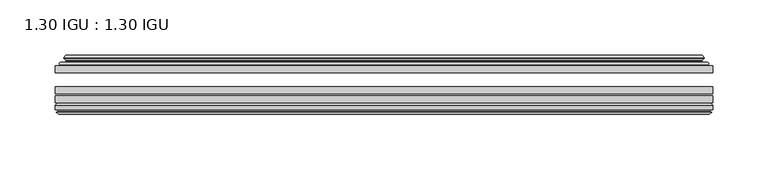
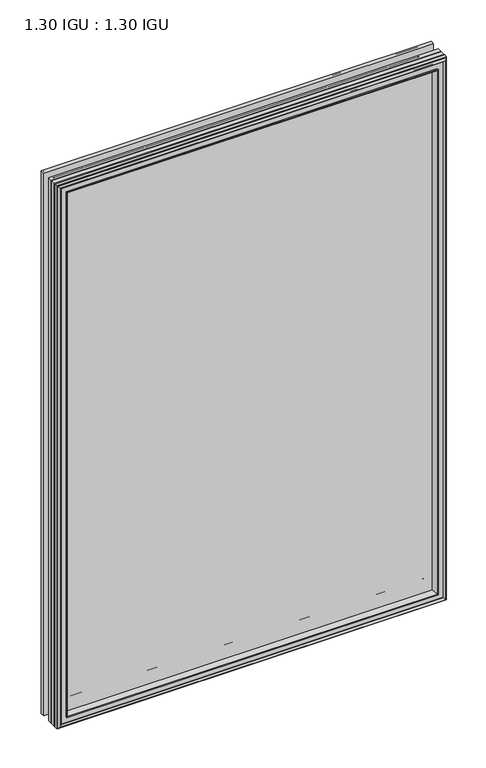
"""IFC4 building model written with IfcOpenShell, lengths in millimetres: plate geometry, 1.30 IGU : 1.30 IGU."""

from ifc_helpers import new_model, si_unit, frame, origin, place, context, project, spatial, polyline, ellipse_curve, outline, extrude, faceted_brep, source, transform, mapped, element, save
from ifc_brep_helpers import plane_surface, cylinder_surface, revolved_surface, advanced_brep


def plate_1_30_igu_1_30_igu_903350e6(model_context):
    return source(origin(), model_context, "Body", "SolidModel", [
        extrude(outline(polyline([(296.6907351, -44.92625), (296.6907351, -51.27625), (-296.7576818, -51.27625), (-296.7576818, -44.92625), (296.6907351, -44.92625)])), frame((0.0, 0.0, -14.2875), z_axis=(0.0, 0.0, 1.0), x_axis=(1.0, 0.0, 0.0)), (0.0, 0.0, 1.0), 873.125),
        extrude(outline(polyline([(-296.7576818, -78.58125), (-296.7576818, -72.23125), (296.6907351, -72.23125), (296.6907351, -78.58125), (-296.7576818, -78.58125)])), frame((0.0, 0.0, -14.2875), z_axis=(0.0, 0.0, 1.0), x_axis=(1.0, 0.0, 0.0)), (0.0, 0.0, 1.0), 873.125),
        extrude(outline(polyline([(-296.7576818, -70.32625), (-296.7576818, -63.97625), (296.6907351, -63.97625), (296.6907351, -70.32625), (-296.7576818, -70.32625)])), frame((0.0, 0.0, -14.2875), z_axis=(0.0, 0.0, 1.0), x_axis=(1.0, 0.0, 0.0)), (0.0, 0.0, 1.0), 873.125),
        advanced_brep(
        [(-278.422472, -43.8351483, 840.5022902), (-278.8642822, -44.92625, 840.9441004), (-278.8642822, -44.92625, 3.6058996), (-278.422472, -43.8351483, 4.0477098), (-282.4701818, -36.11245, 844.55), (-282.4701818, -36.11245, 0.0), (-287.6560927, -37.2935491, 849.7359109), (-287.6560927, -37.2935491, -5.1859109), (-287.3265175, -36.4664324, 849.4063356), (-287.3265175, -36.4664324, -4.8563356), (-287.3265175, -35.6521812, 849.4063356), (-287.3265175, -35.6521812, -4.8563356), (-289.1427929, -37.610817, 851.2226111), (-289.1427929, -37.610817, -6.6726111), (-289.1427929, -38.3239429, 851.2226111), (-289.1427929, -38.3239429, -6.6726111), (-287.3265175, -40.2727974, 849.4063356), (-287.3265175, -40.2727974, -4.8563356), (-287.3265175, -39.4683275, 849.4063356), (-287.3265175, -39.4683275, -4.8563356), (-287.648432, -38.6604367, 849.7282501), (-287.648432, -38.6604367, -5.1782501), (-285.1246197, -38.502045, 847.2044379), (-285.1246197, -38.502045, -2.6544379), (-284.0988035, -39.1897544, 846.1786217), (-284.0988035, -39.1897544, -1.6286217), (-284.2172107, -40.5842231, 846.2970288), (-284.2172107, -40.5842231, -1.7470288), (-284.8189566, -42.08145, 846.8987748), (-284.8189566, -42.08145, -2.3487748), (-292.7447372, -43.9898729, 854.8245553), (-292.2591063, -42.08145, 854.3389245), (-292.2591063, -42.08145, -9.7889245), (-292.7447372, -43.9898729, -10.2745553), (-291.0239973, -44.92625, 853.1038155), (-291.0239973, -44.92625, -8.5538155), (278.8642822, -44.92625, 3.6058996), (278.422472, -43.8351483, 4.0477098), (282.4701818, -36.11245, 0.0), (287.6560927, -37.2935491, -5.1859109), (287.3265175, -36.4664324, -4.8563356), (287.3265175, -35.6521812, -4.8563356), (289.1427929, -37.610817, -6.6726111), (289.1427929, -38.3239429, -6.6726111), (287.3265175, -40.2727974, -4.8563356), (287.3265175, -39.4683275, -4.8563356), (287.648432, -38.6604367, -5.1782501), (285.1246197, -38.502045, -2.6544379), (284.0988035, -39.1897544, -1.6286217), (284.2172107, -40.5842231, -1.7470288), (284.8189566, -42.08145, -2.3487748), (292.2591063, -42.08145, -9.7889245), (292.7447372, -43.9898729, -10.2745553), (291.0239973, -44.92625, -8.5538155), (278.8642822, -44.92625, 840.9441004), (278.422472, -43.8351483, 840.5022902), (282.4701818, -36.11245, 844.55), (287.6560927, -37.2935491, 849.7359109), (287.3265175, -36.4664324, 849.4063356), (287.3265175, -35.6521812, 849.4063356), (289.1427929, -37.610817, 851.2226111), (289.1427929, -38.3239429, 851.2226111), (287.3265175, -40.2727974, 849.4063356), (287.3265175, -39.4683275, 849.4063356), (287.648432, -38.6604367, 849.7282501), (285.1246197, -38.502045, 847.2044379), (284.0988035, -39.1897544, 846.1786217), (284.2172107, -40.5842231, 846.2970288), (284.8189566, -42.08145, 846.8987748), (292.2591063, -42.08145, 854.3389245), (292.7447372, -43.9898729, 854.8245553), (291.0239973, -44.92625, 853.1038155)],
        [
            (0, 1, ellipse_curve(frame((-278.8642822, -44.29125, 840.9441004), z_axis=(-0.7071067811865475, 0.0, -0.7071067811865475), x_axis=(-0.7071067811865474, 0.0, 0.7071067811865476)), 0.8980256, 0.635)),
            (1, 2),
            (2, 3, ellipse_curve(frame((-278.8642822, -44.29125, 3.6058996), z_axis=(-0.7071067811865475, 0.0, 0.7071067811865475), x_axis=(0.7071067811865474, 0.0, 0.7071067811865476)), 0.8980256, 0.635)),
            (3, 0),
            (4, 0, ellipse_curve(frame((-268.7373872, -33.8367745, 830.8172054), z_axis=(0.7071067811865475, 0.0, 0.7071067811865475), x_axis=(0.7071067811865474, 0.0, -0.7071067811865476)), 19.6859517, 13.9200699)),
            (3, 5, ellipse_curve(frame((-268.7373872, -33.8367745, 13.7327946), z_axis=(0.7071067811865475, 0.0, -0.7071067811865475), x_axis=(-0.7071067811865474, 0.0, -0.7071067811865476)), 19.6859517, 13.9200699)),
            (5, 4),
            (6, 4),
            (5, 7),
            (7, 6),
            (8, 6),
            (7, 9),
            (9, 8),
            (10, 8),
            (9, 11),
            (11, 10),
            (12, 10),
            (11, 13),
            (13, 12),
            (14, 12, ellipse_curve(frame((-288.7809547, -37.96738, 850.8607729), z_axis=(-0.7071067811865475, 0.0, -0.7071067811865475), x_axis=(-0.7071067811865474, 0.0, 0.7071067811865476)), 0.7184205, 0.508)),
            (13, 15, ellipse_curve(frame((-288.7809547, -37.96738, -6.3107729), z_axis=(-0.7071067811865475, 0.0, 0.7071067811865475), x_axis=(0.7071067811865474, 0.0, 0.7071067811865476)), 0.7184205, 0.508)),
            (15, 14),
            (16, 14),
            (15, 17),
            (17, 16),
            (18, 16),
            (17, 19),
            (19, 18),
            (20, 18),
            (19, 21),
            (21, 20),
            (22, 20),
            (21, 23),
            (23, 22),
            (24, 22, ellipse_curve(frame((-285.0609818, -39.51605, 847.1408), z_axis=(0.7071067811865475, 0.0, 0.7071067811865475), x_axis=(0.7071067811865474, 0.0, -0.7071067811865476)), 1.436841, 1.016)),
            (23, 25, ellipse_curve(frame((-285.0609818, -39.51605, -2.5908), z_axis=(0.7071067811865475, 0.0, -0.7071067811865475), x_axis=(-0.7071067811865474, 0.0, -0.7071067811865476)), 1.436841, 1.016)),
            (25, 24),
            (26, 24, ellipse_curve(frame((-286.4325818, -39.69385, 848.5124), z_axis=(0.7071067811865475, 0.0, 0.7071067811865475), x_axis=(0.7071067811865474, 0.0, -0.7071067811865476)), 3.3765763, 2.3876)),
            (25, 27, ellipse_curve(frame((-286.4325818, -39.69385, -3.9624), z_axis=(0.7071067811865475, 0.0, -0.7071067811865475), x_axis=(-0.7071067811865474, 0.0, -0.7071067811865476)), 3.3765763, 2.3876)),
            (27, 26),
            (28, 26),
            (27, 29),
            (29, 28),
            (30, 31, ellipse_curve(frame((-292.2591063, -43.09745, 854.3389245), z_axis=(-0.7071067811865475, 0.0, -0.7071067811865475), x_axis=(-0.7071067811865474, 0.0, 0.7071067811865476)), 1.436841, 1.016)),
            (31, 32),
            (32, 33, ellipse_curve(frame((-292.2591063, -43.09745, -9.7889245), z_axis=(-0.7071067811865475, 0.0, 0.7071067811865475), x_axis=(0.7071067811865474, 0.0, 0.7071067811865476)), 1.436841, 1.016)),
            (33, 30),
            (34, 30),
            (33, 35),
            (35, 34),
            (2, 36),
            (36, 37, ellipse_curve(frame((278.8642822, -44.29125, 3.6058996), z_axis=(-0.7071067811865475, 0.0, -0.7071067811865475), x_axis=(-0.7071067811865476, 0.0, 0.7071067811865474)), 0.8980256, 0.635)),
            (37, 3),
            (37, 38, ellipse_curve(frame((268.7373872, -33.8367745, 13.7327946), z_axis=(0.7071067811865475, 0.0, 0.7071067811865475), x_axis=(0.7071067811865476, 0.0, -0.7071067811865474)), 19.6859517, 13.9200699)),
            (38, 5),
            (38, 39),
            (39, 7),
            (39, 40),
            (40, 9),
            (40, 41),
            (41, 11),
            (41, 42),
            (42, 13),
            (42, 43, ellipse_curve(frame((288.7809547, -37.96738, -6.3107729), z_axis=(-0.7071067811865475, 0.0, -0.7071067811865475), x_axis=(-0.7071067811865476, 0.0, 0.7071067811865474)), 0.7184205, 0.508)),
            (43, 15),
            (43, 44),
            (44, 17),
            (44, 45),
            (45, 19),
            (45, 46),
            (46, 21),
            (46, 47),
            (47, 23),
            (47, 48, ellipse_curve(frame((285.0609818, -39.51605, -2.5908), z_axis=(0.7071067811865475, 0.0, 0.7071067811865475), x_axis=(0.7071067811865476, 0.0, -0.7071067811865474)), 1.436841, 1.016)),
            (48, 25),
            (48, 49, ellipse_curve(frame((286.4325818, -39.69385, -3.9624), z_axis=(0.7071067811865475, 0.0, 0.7071067811865475), x_axis=(0.7071067811865476, 0.0, -0.7071067811865474)), 3.3765763, 2.3876)),
            (49, 27),
            (49, 50),
            (50, 29),
            (32, 51),
            (51, 52, ellipse_curve(frame((292.2591063, -43.09745, -9.7889245), z_axis=(-0.7071067811865475, 0.0, -0.7071067811865475), x_axis=(-0.7071067811865476, 0.0, 0.7071067811865474)), 1.436841, 1.016)),
            (52, 33),
            (52, 53),
            (53, 35),
            (36, 54),
            (54, 55, ellipse_curve(frame((278.8642822, -44.29125, 840.9441004), z_axis=(0.7071067811865475, 0.0, -0.7071067811865475), x_axis=(-0.7071067811865474, 0.0, -0.7071067811865476)), 0.8980256, 0.635)),
            (55, 37),
            (55, 56, ellipse_curve(frame((268.7373872, -33.8367745, 830.8172054), z_axis=(-0.7071067811865475, 0.0, 0.7071067811865475), x_axis=(0.7071067811865474, 0.0, 0.7071067811865476)), 19.6859517, 13.9200699)),
            (56, 38),
            (56, 57),
            (57, 39),
            (57, 58),
            (58, 40),
            (58, 59),
            (59, 41),
            (59, 60),
            (60, 42),
            (60, 61, ellipse_curve(frame((288.7809547, -37.96738, 850.8607729), z_axis=(0.7071067811865475, 0.0, -0.7071067811865475), x_axis=(-0.7071067811865474, 0.0, -0.7071067811865476)), 0.7184205, 0.508)),
            (61, 43),
            (61, 62),
            (62, 44),
            (62, 63),
            (63, 45),
            (63, 64),
            (64, 46),
            (64, 65),
            (65, 47),
            (65, 66, ellipse_curve(frame((285.0609818, -39.51605, 847.1408), z_axis=(-0.7071067811865475, 0.0, 0.7071067811865475), x_axis=(0.7071067811865474, 0.0, 0.7071067811865476)), 1.436841, 1.016)),
            (66, 48),
            (66, 67, ellipse_curve(frame((286.4325818, -39.69385, 848.5124), z_axis=(-0.7071067811865475, 0.0, 0.7071067811865475), x_axis=(0.7071067811865474, 0.0, 0.7071067811865476)), 3.3765763, 2.3876)),
            (67, 49),
            (67, 68),
            (68, 50),
            (51, 69),
            (69, 70, ellipse_curve(frame((292.2591063, -43.09745, 854.3389245), z_axis=(0.7071067811865475, 0.0, -0.7071067811865475), x_axis=(-0.7071067811865474, 0.0, -0.7071067811865476)), 1.436841, 1.016)),
            (70, 52),
            (70, 71),
            (71, 53),
            (54, 1),
            (0, 55),
            (4, 56),
            (6, 57),
            (8, 58),
            (10, 59),
            (12, 60),
            (14, 61),
            (16, 62),
            (18, 63),
            (20, 64),
            (22, 65),
            (24, 66),
            (26, 67),
            (28, 68),
            (31, 69),
            (30, 70),
            (34, 71),
        ],
        [
            cylinder_surface(frame((-278.8642822, -44.29125, 876.3), z_axis=(0.0, 0.0, 1.0), x_axis=(-1.0, 0.0, 0.0)), 0.635),
            revolved_surface(polyline([(-282.6574571, -33.8367745, -0.18727534118079348), (-282.6574571, -33.8367745, 844.7372753411809)]), (-268.7373872, -33.8367745, 876.3), (0.0, 0.0, -1.0)),
            plane_surface(frame((-282.4701818, -36.11245, 844.55), z_axis=(-0.2220649844277866, 0.975031867525922, 0.0), x_axis=(0.0, 0.0, -1.0))),
            plane_surface(frame((-287.6560927, -37.2935491, 849.7359109), z_axis=(0.9289682685629922, -0.3701593656833182, 0.0), x_axis=(0.0, 0.0, -1.0))),
            plane_surface(frame((-287.3265175, -36.4664324, 849.4063356), z_axis=(1.0, 0.0, 0.0), x_axis=(0.0, 0.0, -1.0))),
            plane_surface(frame((-287.3265175, -35.6521812, 849.4063356), z_axis=(-0.7332521292723956, 0.6799568478348447, 0.0), x_axis=(0.0, 0.0, -1.0))),
            cylinder_surface(frame((-288.7809547, -37.96738, 876.3), z_axis=(0.0, 0.0, 1.0), x_axis=(-1.0, 0.0, 0.0)), 0.508),
            plane_surface(frame((-289.1427929, -38.3239429, 851.2226111), z_axis=(-0.7315522693036389, -0.6817853601220082, 0.0), x_axis=(0.0, 0.0, -1.0))),
            plane_surface(frame((-287.3265175, -40.2727974, 849.4063356), z_axis=(1.0, 0.0, 0.0), x_axis=(0.0, 0.0, -1.0))),
            plane_surface(frame((-287.3265175, -39.4683275, 849.4063356), z_axis=(0.9289682685631103, 0.37015936568302166, 0.0), x_axis=(0.0, 0.0, -1.0))),
            plane_surface(frame((-287.648432, -38.6604367, 849.7282501), z_axis=(0.06263570119321646, -0.9980364567169048, 0.0), x_axis=(0.0, 0.0, -1.0))),
            revolved_surface(polyline([(-286.0769818, -39.51605, -3.606800014586838), (-286.0769818, -39.51605, 848.1568000145869)]), (-285.0609818, -39.51605, 876.3), (0.0, 0.0, -1.0)),
            revolved_surface(polyline([(-288.8201818, -39.69385, -6.3499999989237494), (-288.8201818, -39.69385, 850.8999999989237)]), (-286.4325818, -39.69385, 876.3), (0.0, 0.0, -1.0)),
            plane_surface(frame((-284.2172107, -40.5842231, 846.2970288), z_axis=(-0.9278652925428912, 0.372915538553028, 0.0), x_axis=(0.0, 0.0, -1.0))),
            cylinder_surface(frame((-292.2591063, -43.09745, 876.3), z_axis=(0.0, 0.0, 1.0), x_axis=(-1.0, 0.0, 0.0)), 1.016),
            plane_surface(frame((-292.7447372, -43.9898729, 854.8245553), z_axis=(-0.477983117370979, -0.8783690223979447, 0.0), x_axis=(0.0, 0.0, -1.0))),
            cylinder_surface(frame((-314.2201818, -44.29125, 3.6058996), z_axis=(-1.0, 0.0, 0.0), x_axis=(0.0, 0.0, -1.0)), 0.635),
            revolved_surface(polyline([(282.65745714118077, -33.8367745, -0.1872752999999996), (-282.6574571411808, -33.8367745, -0.1872752999999996)]), (-314.2201818, -33.8367745, 13.7327946), (1.0, 0.0, 0.0)),
            plane_surface(frame((-282.4701818, -36.11245, 0.0), z_axis=(0.0, 0.9750318675259213, -0.22206498442778974), x_axis=(1.0, 0.0, 0.0))),
            plane_surface(frame((-287.6560927, -37.2935491, -5.1859109), z_axis=(0.0, -0.3701593656833152, 0.9289682685629934), x_axis=(1.0, 0.0, 0.0))),
            plane_surface(frame((-287.3265175, -36.4664324, -4.8563356), z_axis=(0.0, 0.0, 1.0), x_axis=(1.0, 0.0, 0.0))),
            plane_surface(frame((-287.3265175, -35.6521812, -4.8563356), z_axis=(0.0, 0.6799568478348423, -0.7332521292723978), x_axis=(1.0, 0.0, 0.0))),
            cylinder_surface(frame((-314.2201818, -37.96738, -6.3107729), z_axis=(-1.0, 0.0, 0.0), x_axis=(0.0, 0.0, -1.0)), 0.508),
            plane_surface(frame((-289.1427929, -38.3239429, -6.6726111), z_axis=(0.0, -0.6817853601220105, -0.7315522693036367), x_axis=(1.0, 0.0, 0.0))),
            plane_surface(frame((-287.3265175, -40.2727974, -4.8563356), z_axis=(0.0, 0.0, 1.0), x_axis=(1.0, 0.0, 0.0))),
            plane_surface(frame((-287.3265175, -39.4683275, -4.8563356), z_axis=(0.0, 0.37015936568302465, 0.9289682685631091), x_axis=(1.0, 0.0, 0.0))),
            plane_surface(frame((-287.648432, -38.6604367, -5.1782501), z_axis=(0.0, -0.9980364567169046, 0.06263570119321968), x_axis=(1.0, 0.0, 0.0))),
            revolved_surface(polyline([(286.0769818145868, -39.51605, -3.6068000000000002), (-286.0769818145868, -39.51605, -3.6068000000000002)]), (-314.2201818, -39.51605, -2.5908), (1.0, 0.0, 0.0)),
            revolved_surface(polyline([(288.8201817989237, -39.69385, -6.35), (-288.8201817989238, -39.69385, -6.35)]), (-314.2201818, -39.69385, -3.9624), (1.0, 0.0, 0.0)),
            plane_surface(frame((-284.2172107, -40.5842231, -1.7470288), z_axis=(0.0, 0.372915538553025, -0.9278652925428924), x_axis=(1.0, 0.0, 0.0))),
            cylinder_surface(frame((-314.2201818, -43.09745, -9.7889245), z_axis=(-1.0, 0.0, 0.0), x_axis=(0.0, 0.0, -1.0)), 1.016),
            plane_surface(frame((-292.7447372, -43.9898729, -10.2745553), z_axis=(0.0, -0.8783690223979462, -0.47798311737097615), x_axis=(1.0, 0.0, 0.0))),
            cylinder_surface(frame((278.8642822, -44.29125, -31.75), z_axis=(0.0, 0.0, -1.0), x_axis=(1.0, 0.0, 0.0)), 0.635),
            revolved_surface(polyline([(282.6574571, -33.8367745, 844.7372753411809), (282.6574571, -33.8367745, -0.1872753411808432)]), (268.7373872, -33.8367745, -31.75), (0.0, 0.0, 1.0)),
            plane_surface(frame((282.4701818, -36.11245, 0.0), z_axis=(0.22206498442779285, 0.9750318675259205, 0.0), x_axis=(0.0, 0.0, 1.0))),
            plane_surface(frame((287.6560927, -37.2935491, -5.1859109), z_axis=(-0.9289682685629946, -0.3701593656833122, 0.0), x_axis=(0.0, 0.0, 1.0))),
            plane_surface(frame((287.3265175, -36.4664324, -4.8563356), z_axis=(-1.0, 0.0, 0.0), x_axis=(0.0, 0.0, 1.0))),
            plane_surface(frame((287.3265175, -35.6521812, -4.8563356), z_axis=(0.7332521292724, 0.67995684783484, 0.0), x_axis=(0.0, 0.0, 1.0))),
            cylinder_surface(frame((288.7809547, -37.96738, -31.75), z_axis=(0.0, 0.0, -1.0), x_axis=(1.0, 0.0, 0.0)), 0.508),
            plane_surface(frame((289.1427929, -38.3239429, -6.6726111), z_axis=(0.7315522693036345, -0.6817853601220129, 0.0), x_axis=(0.0, 0.0, 1.0))),
            plane_surface(frame((287.3265175, -40.2727974, -4.8563356), z_axis=(-1.0, 0.0, 0.0), x_axis=(0.0, 0.0, 1.0))),
            plane_surface(frame((287.3265175, -39.4683275, -4.8563356), z_axis=(-0.928968268563108, 0.3701593656830277, 0.0), x_axis=(0.0, 0.0, 1.0))),
            plane_surface(frame((287.648432, -38.6604367, -5.1782501), z_axis=(-0.0626357011932229, -0.9980364567169043, 0.0), x_axis=(0.0, 0.0, 1.0))),
            revolved_surface(polyline([(286.0769818, -39.51605, 848.1568000145869), (286.0769818, -39.51605, -3.606800014586863)]), (285.0609818, -39.51605, -31.75), (0.0, 0.0, 1.0)),
            revolved_surface(polyline([(288.8201818, -39.69385, 850.8999999989237), (288.8201818, -39.69385, -6.349999998923781)]), (286.4325818, -39.69385, -31.75), (0.0, 0.0, 1.0)),
            plane_surface(frame((284.2172107, -40.5842231, -1.7470288), z_axis=(0.9278652925428936, 0.372915538553022, 0.0), x_axis=(0.0, 0.0, 1.0))),
            cylinder_surface(frame((292.2591063, -43.09745, -31.75), z_axis=(0.0, 0.0, -1.0), x_axis=(1.0, 0.0, 0.0)), 1.016),
            plane_surface(frame((292.7447372, -43.9898729, -10.2745553), z_axis=(0.4779831173709733, -0.8783690223979478, 0.0), x_axis=(0.0, 0.0, 1.0))),
            cylinder_surface(frame((314.2201818, -44.29125, 840.9441004), z_axis=(1.0, 0.0, 0.0), x_axis=(0.0, 0.0, 1.0)), 0.635),
            revolved_surface(polyline([(-282.65745714118077, -33.8367745, 844.7372753000001), (282.6574571411808, -33.8367745, 844.7372753000001)]), (314.2201818, -33.8367745, 830.8172054), (-1.0, 0.0, 0.0)),
            plane_surface(frame((282.4701818, -36.11245, 844.55), z_axis=(0.0, 0.9750318675259212, 0.2220649844277897), x_axis=(-1.0, 0.0, 0.0))),
            plane_surface(frame((287.6560927, -37.2935491, 849.7359109), z_axis=(0.0, -0.3701593656833152, -0.9289682685629934), x_axis=(-1.0, 0.0, 0.0))),
            plane_surface(frame((287.3265175, -36.4664324, 849.4063356), z_axis=(0.0, 0.0, -1.0), x_axis=(-1.0, 0.0, 0.0))),
            plane_surface(frame((287.3265175, -35.6521812, 849.4063356), z_axis=(0.0, 0.6799568478348423, 0.7332521292723978), x_axis=(-1.0, 0.0, 0.0))),
            cylinder_surface(frame((314.2201818, -37.96738, 850.8607729), z_axis=(1.0, 0.0, 0.0), x_axis=(0.0, 0.0, 1.0)), 0.508),
            plane_surface(frame((289.1427929, -38.3239429, 851.2226111), z_axis=(0.0, -0.6817853601220105, 0.7315522693036367), x_axis=(-1.0, 0.0, 0.0))),
            plane_surface(frame((287.3265175, -40.2727974, 849.4063356), z_axis=(0.0, 0.0, -1.0), x_axis=(-1.0, 0.0, 0.0))),
            plane_surface(frame((287.3265175, -39.4683275, 849.4063356), z_axis=(0.0, 0.3701593656830247, -0.9289682685631092), x_axis=(-1.0, 0.0, 0.0))),
            plane_surface(frame((287.648432, -38.6604367, 849.7282501), z_axis=(0.0, -0.9980364567169046, -0.06263570119321968), x_axis=(-1.0, 0.0, 0.0))),
            revolved_surface(polyline([(-286.0769818145868, -39.51605, 848.1568), (286.0769818145868, -39.51605, 848.1568)]), (314.2201818, -39.51605, 847.1408), (-1.0, 0.0, 0.0)),
            revolved_surface(polyline([(-288.8201817989237, -39.69385, 850.9), (288.8201817989238, -39.69385, 850.9)]), (314.2201818, -39.69385, 848.5124), (-1.0, 0.0, 0.0)),
            plane_surface(frame((284.2172107, -40.5842231, 846.2970288), z_axis=(0.0, 0.372915538553025, 0.9278652925428924), x_axis=(-1.0, 0.0, 0.0))),
            plane_surface(frame((284.8189566, -42.08145, 846.8987748), z_axis=(0.0, 1.0, 0.0), x_axis=(-1.0, 0.0, 0.0))),
            cylinder_surface(frame((314.2201818, -43.09745, 854.3389245), z_axis=(1.0, 0.0, 0.0), x_axis=(0.0, 0.0, 1.0)), 1.016),
            plane_surface(frame((292.7447372, -43.9898729, 854.8245553), z_axis=(0.0, -0.8783690223979462, 0.47798311737097615), x_axis=(-1.0, 0.0, 0.0))),
            plane_surface(frame((291.0239973, -44.92625, 853.1038155), z_axis=(0.0, -1.0, 0.0), x_axis=(-1.0, 0.0, 0.0))),
        ],
        [
            (0, [[1, 2, 3, 4]]),
            (1, [[5, -4, 6, 7]]),
            (2, [[8, -7, 9, 10]]),
            (3, [[11, -10, 12, 13]]),
            (4, [[14, -13, 15, 16]]),
            (5, [[17, -16, 18, 19]]),
            (6, [[20, -19, 21, 22]]),
            (7, [[23, -22, 24, 25]]),
            (8, [[26, -25, 27, 28]]),
            (9, [[29, -28, 30, 31]]),
            (10, [[32, -31, 33, 34]]),
            (11, [[35, -34, 36, 37]]),
            (12, [[38, -37, 39, 40]]),
            (13, [[41, -40, 42, 43]]),
            (14, [[44, 45, 46, 47]]),
            (15, [[48, -47, 49, 50]]),
            (16, [[-3, 51, 52, 53]]),
            (17, [[-6, -53, 54, 55]]),
            (18, [[-9, -55, 56, 57]]),
            (19, [[-12, -57, 58, 59]]),
            (20, [[-15, -59, 60, 61]]),
            (21, [[-18, -61, 62, 63]]),
            (22, [[-21, -63, 64, 65]]),
            (23, [[-24, -65, 66, 67]]),
            (24, [[-27, -67, 68, 69]]),
            (25, [[-30, -69, 70, 71]]),
            (26, [[-33, -71, 72, 73]]),
            (27, [[-36, -73, 74, 75]]),
            (28, [[-39, -75, 76, 77]]),
            (29, [[-42, -77, 78, 79]]),
            (30, [[-46, 80, 81, 82]]),
            (31, [[-49, -82, 83, 84]]),
            (32, [[-52, 85, 86, 87]]),
            (33, [[-54, -87, 88, 89]]),
            (34, [[-56, -89, 90, 91]]),
            (35, [[-58, -91, 92, 93]]),
            (36, [[-60, -93, 94, 95]]),
            (37, [[-62, -95, 96, 97]]),
            (38, [[-64, -97, 98, 99]]),
            (39, [[-66, -99, 100, 101]]),
            (40, [[-68, -101, 102, 103]]),
            (41, [[-70, -103, 104, 105]]),
            (42, [[-72, -105, 106, 107]]),
            (43, [[-74, -107, 108, 109]]),
            (44, [[-76, -109, 110, 111]]),
            (45, [[-78, -111, 112, 113]]),
            (46, [[-81, 114, 115, 116]]),
            (47, [[-83, -116, 117, 118]]),
            (48, [[-86, 119, -1, 120]]),
            (49, [[-88, -120, -5, 121]]),
            (50, [[-90, -121, -8, 122]]),
            (51, [[-92, -122, -11, 123]]),
            (52, [[-94, -123, -14, 124]]),
            (53, [[-96, -124, -17, 125]]),
            (54, [[-98, -125, -20, 126]]),
            (55, [[-100, -126, -23, 127]]),
            (56, [[-102, -127, -26, 128]]),
            (57, [[-104, -128, -29, 129]]),
            (58, [[-106, -129, -32, 130]]),
            (59, [[-108, -130, -35, 131]]),
            (60, [[-110, -131, -38, 132]]),
            (61, [[-112, -132, -41, 133]]),
            (62, [[134, -114, -80, -45], [-79, -113, -133, -43]]),
            (63, [[-115, -134, -44, 135]]),
            (64, [[-117, -135, -48, 136]]),
            (65, [[-84, -118, -136, -50], [-119, -85, -51, -2]]),
        ],
    ),
        faceted_brep([(-278.6159646, -78.58125, 840.6957827), (-281.1822616, -87.47125, 843.2620798), (-281.1822616, -87.47125, 1.2879202), (-278.6159646, -78.58125, 3.8542173), (-296.7703818, -80.7883102, 858.8502), (-294.5633216, -78.58125, 856.6431398), (-294.5633216, -78.58125, -12.0931398), (-296.7703818, -80.7883102, -14.3002), (-296.7703818, -84.93125, 858.8502), (-296.7703818, -84.93125, -14.3002), (-294.3513594, -86.11489, 856.4311775), (-295.1905501, -84.93125, 857.2703682), (-295.1905501, -84.93125, -12.7203682), (-294.3513594, -86.11489, -11.8811775), (-294.1541818, -87.4125884, 856.234), (-294.1541818, -87.4125884, -11.684), (-295.1298418, -86.8828917, 857.20966), (-295.1298418, -86.8828917, -12.65966), (-293.5953818, -88.6999663, 855.6752), (-295.9225124, -86.8828917, 858.0023305), (-295.9225124, -86.8828917, -13.4523305), (-293.5953818, -88.6999663, -11.1252), (-291.2682513, -86.8828917, 853.3480695), (-291.2682513, -86.8828917, -8.7980695), (-293.0365818, -87.4125884, 855.1164), (-292.0609219, -86.8828917, 854.14074), (-292.0609219, -86.8828917, -9.59074), (-293.0365818, -87.4125884, -10.5664), (-292.8394043, -86.11489, 854.9192225), (-292.8394043, -86.11489, -10.3692225), (-291.9697818, -84.93125, 854.0496), (-291.9697818, -84.93125, -9.4996), (-282.8215485, -87.47125, 844.9013667), (-282.2923818, -84.93125, 844.3722), (-282.2923818, -84.93125, 0.1778), (-282.8215485, -87.47125, -0.3513667), (281.1822616, -87.47125, 1.2879202), (278.6159646, -78.58125, 3.8542173), (294.5633216, -78.58125, -12.0931398), (296.7703818, -80.7883102, -14.3002), (296.7703818, -84.93125, -14.3002), (295.1905501, -84.93125, -12.7203682), (294.3513594, -86.11489, -11.8811775), (294.1541818, -87.4125884, -11.684), (295.1298418, -86.8828917, -12.65966), (295.9225124, -86.8828917, -13.4523305), (293.5953818, -88.6999663, -11.1252), (291.2682513, -86.8828917, -8.7980695), (292.0609219, -86.8828917, -9.59074), (293.0365818, -87.4125884, -10.5664), (292.8394043, -86.11489, -10.3692225), (291.9697818, -84.93125, -9.4996), (282.2923818, -84.93125, 0.1778), (282.8215485, -87.47125, -0.3513667), (281.1822616, -87.47125, 843.2620798), (278.6159646, -78.58125, 840.6957827), (294.5633216, -78.58125, 856.6431398), (296.7703818, -80.7883102, 858.8502), (296.7703818, -84.93125, 858.8502), (295.1905501, -84.93125, 857.2703682), (294.3513594, -86.11489, 856.4311775), (294.1541818, -87.4125884, 856.234), (295.1298418, -86.8828917, 857.20966), (295.9225124, -86.8828917, 858.0023305), (293.5953818, -88.6999663, 855.6752), (291.2682513, -86.8828917, 853.3480695), (292.0609219, -86.8828917, 854.14074), (293.0365818, -87.4125884, 855.1164), (292.8394043, -86.11489, 854.9192225), (291.9697818, -84.93125, 854.0496), (282.2923818, -84.93125, 844.3722), (282.8215485, -87.47125, 844.9013667)], [[[0, 1, 2, 3]], [[4, 5, 6, 7]], [[8, 4, 7, 9]], [[10, 11, 12, 13]], [[14, 10, 13, 15]], [[16, 14, 15, 17]], [[18, 19, 20, 21]], [[22, 18, 21, 23]], [[24, 25, 26, 27]], [[28, 24, 27, 29]], [[30, 28, 29, 31]], [[32, 33, 34, 35]], [[3, 2, 36, 37]], [[7, 6, 38, 39]], [[9, 7, 39, 40]], [[13, 12, 41, 42]], [[15, 13, 42, 43]], [[17, 15, 43, 44]], [[21, 20, 45, 46]], [[23, 21, 46, 47]], [[27, 26, 48, 49]], [[29, 27, 49, 50]], [[31, 29, 50, 51]], [[35, 34, 52, 53]], [[37, 36, 54, 55]], [[39, 38, 56, 57]], [[40, 39, 57, 58]], [[42, 41, 59, 60]], [[43, 42, 60, 61]], [[44, 43, 61, 62]], [[46, 45, 63, 64]], [[47, 46, 64, 65]], [[49, 48, 66, 67]], [[50, 49, 67, 68]], [[51, 50, 68, 69]], [[53, 52, 70, 71]], [[55, 54, 1, 0]], [[5, 56, 38, 6], [3, 37, 55, 0]], [[57, 56, 5, 4]], [[58, 57, 4, 8]], [[9, 40, 58, 8], [11, 59, 41, 12]], [[60, 59, 11, 10]], [[61, 60, 10, 14]], [[62, 61, 14, 16]], [[19, 63, 45, 20], [17, 44, 62, 16]], [[64, 63, 19, 18]], [[65, 64, 18, 22]], [[25, 66, 48, 26], [23, 47, 65, 22]], [[67, 66, 25, 24]], [[68, 67, 24, 28]], [[69, 68, 28, 30]], [[31, 51, 69, 30], [33, 70, 52, 34]], [[71, 70, 33, 32]], [[35, 53, 71, 32], [1, 54, 36, 2]]]),
    ])


if __name__ == "__main__":
    model = new_model("IFC4")
    model_context = context("Model", 3, world=origin())
    ifc_project = project(units=[si_unit("LENGTHUNIT", "METRE", prefix="MILLI")], contexts=[model_context])
    site = spatial("IfcSite", under=ifc_project)
    building = spatial("IfcBuilding", under=site)
    placement = place(None, origin())
    plate_1_30_igu_1_30_igu_shape = plate_1_30_igu_1_30_igu_903350e6(model_context)
    element("IfcPlate", 1, ObjectType="1.30 IGU : 1.30 IGU", at=placement, inside=building, context=model_context, shape_type="MappedRepresentation", body=[
        mapped(plate_1_30_igu_1_30_igu_shape, transform((0.0, 0.0, 0.0), x_axis=(1.0, 0.0, 0.0), y_axis=(0.0, 1.0, 0.0), z_axis=(0.0, 0.0, 1.0))),
    ])
    save(model, "model.ifc")
